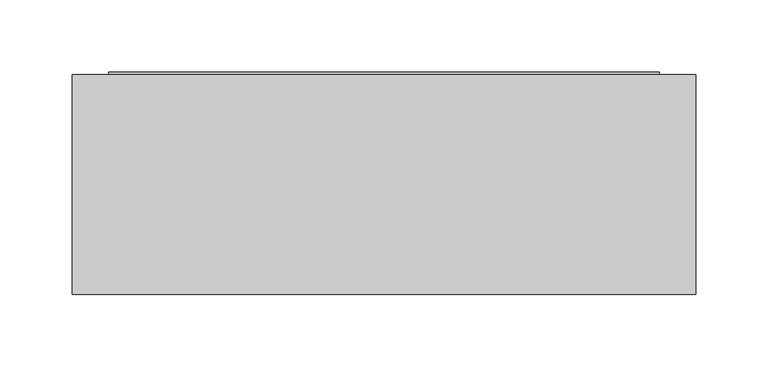
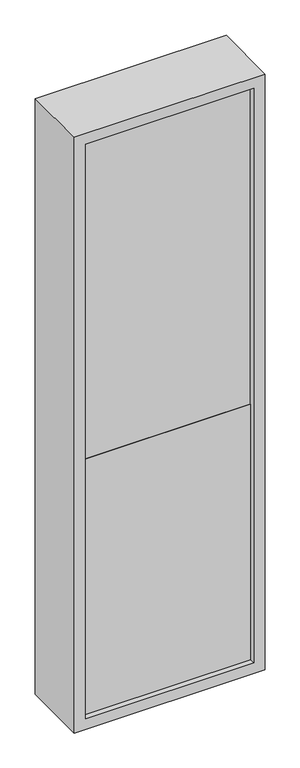
"""IFC4 building model written with IfcOpenShell, lengths in millimetres: flow terminal geometry."""

from ifc_helpers import new_model, si_unit, frame, origin, place, context, project, spatial, polyline, outline, extrude, source, transform, mapped, element, save


def flow_terminal_6f8783a0(model_context):
    return source(origin(), model_context, "Body", "SweptSolid", [
        extrude(outline(polyline([(-202.6185542, 88.9), (178.3814458, 88.9), (178.3814458, 76.2), (-202.6185542, 76.2), (-202.6185542, 88.9)])), frame((0.0, 0.0, 177.8), z_axis=(0.0, 0.0, 1.0), x_axis=(1.0, 0.0, 0.0)), (0.0, 0.0, 1.0), 1371.6),
        extrude(outline(polyline([(215.9, 1549.4), (215.9, 1117.6), (88.9, 1069.1090909), (88.9, 1549.4), (215.9, 1549.4)])), frame((-202.6185542, 0.0, 0.0), z_axis=(1.0, 0.0, 0.0), x_axis=(0.0, 1.0, 0.0)), (0.0, 0.0, 1.0), 381.0),
        extrude(outline(polyline([(-202.6185542, 201.6125), (178.3814458, 201.6125), (178.3814458, 74.6125), (-202.6185542, 74.6125), (-202.6185542, 201.6125)])), frame((0.0, 0.0, 177.8), z_axis=(0.0, 0.0, 1.0), x_axis=(1.0, 0.0, 0.0)), (0.0, 0.0, 1.0), 609.6),
        extrude(outline(polyline([(1574.8, -228.0185542), (152.4, -228.0185542), (152.4, 203.7814458), (1574.8, 203.7814458), (1574.8, -228.0185542)]), holes=[polyline([(1549.4, 178.3814458), (177.8, 178.3814458), (177.8, -202.6185542), (1549.4, -202.6185542), (1549.4, 178.3814458)])]), frame((0.0, 61.9125, 0.0), z_axis=(0.0, 1.0, 0.0), x_axis=(0.0, 0.0, 1.0)), (0.0, 0.0, 1.0), 152.4),
    ])


if __name__ == "__main__":
    model = new_model("IFC4")
    model_context = context("Model", 3, world=origin())
    ifc_project = project(units=[si_unit("LENGTHUNIT", "METRE", prefix="MILLI")], contexts=[model_context])
    site = spatial("IfcSite", under=ifc_project)
    building = spatial("IfcBuilding", under=site)
    placement = place(None, origin())
    flow_terminal_shape = flow_terminal_6f8783a0(model_context)
    element("IfcFlowTerminal", 1, at=placement, inside=building, context=model_context, shape_type="MappedRepresentation", body=[
        mapped(flow_terminal_shape, transform((0.0, 0.0, 0.0), x_axis=(1.0, 0.0, 0.0), y_axis=(0.0, 1.0, 0.0), z_axis=(0.0, 0.0, 1.0))),
    ])
    save(model, "model.ifc")
